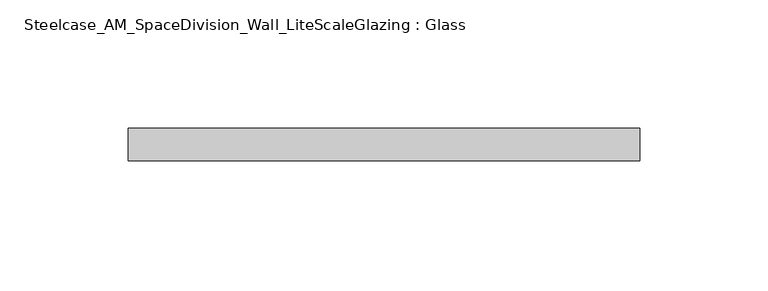
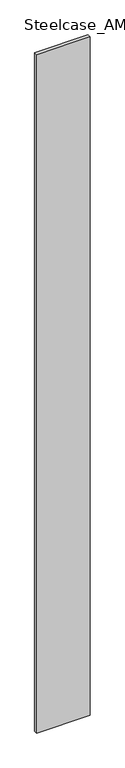
"""IFC4 building model written with IfcOpenShell, lengths in millimetres: plate geometry, Steelcase_AM_SpaceDivision_Wall_LiteScaleGlazing : Glass."""

from ifc_helpers import new_model, si_unit, origin, origin_with_axes, place, context, project, spatial, polyline, outline, extrude, source, transform, mapped, element, save


def steelcase_am_spacedivision_wall_litescaleglazing_glass_4d5e2a3b(model_context):
    return source(origin(), model_context, "Body", "SweptSolid", [
        extrude(outline(polyline([(-99.568, -6.349956), (-99.568, 6.3502015), (99.568, 6.3502015), (99.568, -6.349956), (-99.568, -6.349956)])), origin_with_axes(), (0.0, 0.0, 1.0), 2665.984),
    ])


if __name__ == "__main__":
    model = new_model("IFC4")
    model_context = context("Model", 3, world=origin())
    ifc_project = project(units=[si_unit("LENGTHUNIT", "METRE", prefix="MILLI")], contexts=[model_context])
    site = spatial("IfcSite", under=ifc_project)
    building = spatial("IfcBuilding", under=site)
    placement = place(None, origin())
    steelcase_am_spacedivision_wall_litescaleglazing_glass_shape = steelcase_am_spacedivision_wall_litescaleglazing_glass_4d5e2a3b(model_context)
    element("IfcPlate", 1, ObjectType="Steelcase_AM_SpaceDivision_Wall_LiteScaleGlazing : Glass", at=placement, inside=building, context=model_context, shape_type="MappedRepresentation", body=[
        mapped(steelcase_am_spacedivision_wall_litescaleglazing_glass_shape, transform((0.0, 0.0, 0.0), x_axis=(1.0, 0.0, 0.0), y_axis=(0.0, 1.0, 0.0), z_axis=(0.0, 0.0, 1.0))),
    ])
    save(model, "model.ifc")
